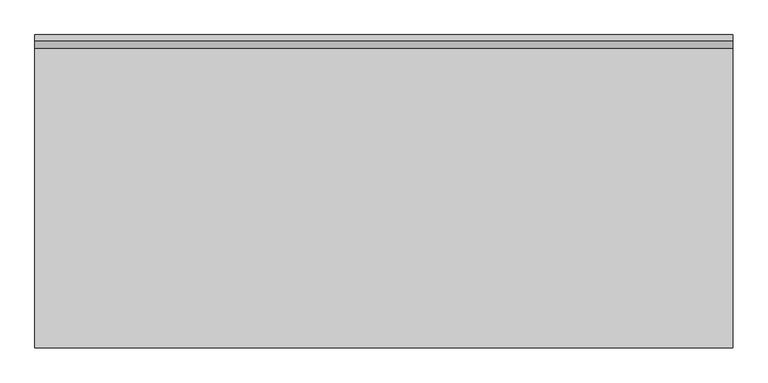
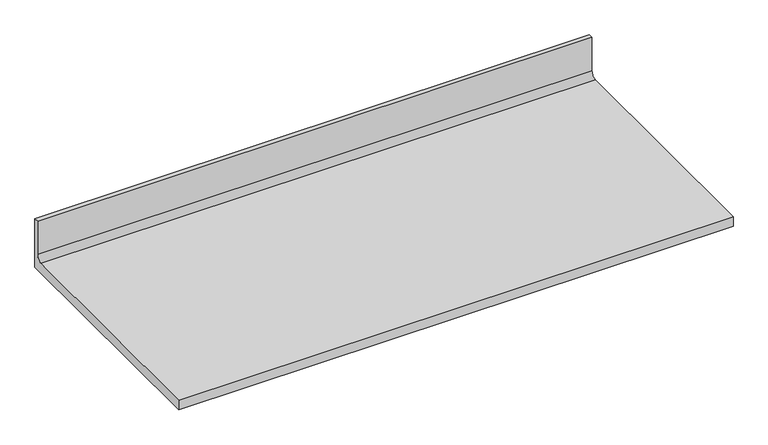
"""IFC4 building model written with IfcOpenShell, lengths in millimetres: furniture geometry."""

import ifcopenshell
import ifcopenshell.guid

model = None  # the IFC model being written
_history = None  # IfcOwnerHistory: only IFC2X3 demands one
_inside = {}  # id of a spatial element -> (the spatial element, [elements in it])
_under = {}  # id of a project, library or spatial element -> (it, [spatial elements below it])
_declared = {}  # id of a project -> (the project, [libraries it declares])
_typed = {}  # id of a type object -> (the type object, [elements of that type])
_made_of = {}  # id of a material, layer set ... -> (it, [elements and type objects made of it])


def new_model(schema):
    """Start an empty IFC model of exactly this schema.

    Asked for "IFC4X3", IfcOpenShell would pick the latest addendum, in which some entities
    have other attributes; the version numbers below select the first issue.
    IFC2X3 requires an IfcOwnerHistory on every rooted entity: one is made here for all.
    """
    global model, _history
    if schema == "IFC4X3":
        model = ifcopenshell.file(schema_version=(4, 3, 0, 0))
    else:
        model = ifcopenshell.file(schema=schema)
    _inside.clear()
    _under.clear()
    _declared.clear()
    _typed.clear()
    _made_of.clear()
    _history = None
    if model.schema == "IFC2X3":
        org = make("IfcOrganization", Name="unknown")
        user = make(
            "IfcPersonAndOrganization",
            ThePerson=make("IfcPerson", FamilyName="unknown"),
            TheOrganization=org,
        )
        app = make(
            "IfcApplication",
            ApplicationDeveloper=org,
            Version="unknown",
            ApplicationFullName="unknown",
            ApplicationIdentifier="unknown",
        )
        _history = make(
            "IfcOwnerHistory",
            OwningUser=user,
            OwningApplication=app,
            ChangeAction="ADDED",
            CreationDate=0,
        )
    return model


def make(cls, **values):
    """One entity of the class cls with the attributes given. An attribute that is None is left unset."""
    return model.create_entity(
        cls, **{name: value for name, value in values.items() if value is not None}
    )


def rooted(cls, **values):
    """An entity with a GlobalId (a new one), such as an element, a storey or a relation."""
    return make(cls, GlobalId=ifcopenshell.guid.new(), OwnerHistory=_history, **values)


def si_unit(unit_type, name, prefix=None):
    """IfcSIUnit, for example si_unit("LENGTHUNIT", "METRE", prefix="MILLI")."""
    return make("IfcSIUnit", UnitType=unit_type, Prefix=prefix, Name=name)


def assignment(units):
    """IfcUnitAssignment: the units of a project."""
    return None if units is None else make("IfcUnitAssignment", Units=units)


def point(xyz):
    """IfcCartesianPoint."""
    return None if xyz is None else make("IfcCartesianPoint", Coordinates=xyz)


def direction(xyz):
    """IfcDirection."""
    return None if xyz is None else make("IfcDirection", DirectionRatios=xyz)


def frame(location, z_axis=None, x_axis=None):
    """IfcAxis2Placement3D, a coordinate frame: its origin and axes. An axis left out is left unset."""
    return make(
        "IfcAxis2Placement3D",
        Location=point(location),
        Axis=direction(z_axis),
        RefDirection=direction(x_axis),
    )


def frame_2d(location, x_axis=None):
    """IfcAxis2Placement2D, a coordinate frame in the plane: its origin and x axis."""
    return make(
        "IfcAxis2Placement2D", Location=point(location), RefDirection=direction(x_axis)
    )


def origin():
    """The frame at (0, 0, 0) with its axes left unset."""
    return frame((0.0, 0.0, 0.0))


def place(relative_to, where):
    """IfcLocalPlacement: puts the frame where relative to a parent placement (None: the world)."""
    return make(
        "IfcLocalPlacement", PlacementRelTo=relative_to, RelativePlacement=where
    )


def context(
    kind, dimensions, precision=None, world=None, true_north=None, identifier=None
):
    """IfcGeometricRepresentationContext, for example the 3D "Model" context."""
    return make(
        "IfcGeometricRepresentationContext",
        ContextIdentifier=identifier,
        ContextType=kind,
        CoordinateSpaceDimension=dimensions,
        Precision=precision,
        WorldCoordinateSystem=world,
        TrueNorth=true_north,
    )


def project(units=None, contexts=None):
    """IfcProject with its units and contexts."""
    return rooted(
        "IfcProject",
        Name="project",
        RepresentationContexts=contexts,
        UnitsInContext=assignment(units),
    )


def spatial(cls, under=None, at=None, **own):
    """A site, building, storey or space (cls), placed at a placement, below another one or the project."""
    s = rooted(cls, ObjectPlacement=at, **own)
    if under is not None:
        _under.setdefault(under.id(), (under, []))[1].append(s)
    return s


def polyline(points):
    """IfcPolyline through the points."""
    return make("IfcPolyline", Points=[point(p) for p in points])


def circle_curve(where, radius):
    """IfcCircle in the frame where."""
    return make("IfcCircle", Position=where, Radius=radius)


def trimmed(basis, trim1, trim2, sense, master):
    """IfcTrimmedCurve: the piece of a basis curve between two trims."""
    return make(
        "IfcTrimmedCurve",
        BasisCurve=basis,
        Trim1=trim1,
        Trim2=trim2,
        SenseAgreement=sense,
        MasterRepresentation=master,
    )


def segment(curve, same_sense, transition):
    """IfcCompositeCurveSegment."""
    return make(
        "IfcCompositeCurveSegment",
        Transition=transition,
        SameSense=same_sense,
        ParentCurve=curve,
    )


def composite_curve(segments, self_intersect=None):
    """IfcCompositeCurve: segments joined end to end."""
    return make("IfcCompositeCurve", Segments=segments, SelfIntersect=self_intersect)


def outline(outer, holes=None, kind="AREA"):
    """IfcArbitraryClosedProfileDef: a profile drawn as a closed curve; with holes, ...WithVoids."""
    if holes is None:
        return make("IfcArbitraryClosedProfileDef", ProfileType=kind, OuterCurve=outer)
    return make(
        "IfcArbitraryProfileDefWithVoids",
        ProfileType=kind,
        OuterCurve=outer,
        InnerCurves=holes,
    )


def extrude(swept, where, along, depth):
    """IfcExtrudedAreaSolid: the profile swept, set in the frame where, extruded along a direction by depth."""
    return make(
        "IfcExtrudedAreaSolid",
        SweptArea=swept,
        Position=where,
        ExtrudedDirection=direction(along),
        Depth=depth,
    )


def shape(context_of_items, identifier, shape_type, items):
    """IfcShapeRepresentation: the items that make up one representation, for example the "Body"."""
    return make(
        "IfcShapeRepresentation",
        ContextOfItems=context_of_items,
        RepresentationIdentifier=identifier,
        RepresentationType=shape_type,
        Items=items,
    )


def source(mapping_origin, context_of_items, identifier, shape_type, items):
    """IfcRepresentationMap: a shape defined once, which mapped items show again and again."""
    return make(
        "IfcRepresentationMap",
        MappingOrigin=mapping_origin,
        MappedRepresentation=shape(context_of_items, identifier, shape_type, items),
    )


def transform(
    local_origin,
    x_axis=None,
    y_axis=None,
    z_axis=None,
    scale=None,
    scale2=None,
    scale3=None,
    uniform=True,
):
    """IfcCartesianTransformationOperator3D, or its non-uniform kind. x_axis, y_axis, z_axis: its Axis1, 2, 3."""
    if uniform:
        return make(
            "IfcCartesianTransformationOperator3D",
            Axis1=direction(x_axis),
            Axis2=direction(y_axis),
            LocalOrigin=point(local_origin),
            Scale=scale,
            Axis3=direction(z_axis),
        )
    return make(
        "IfcCartesianTransformationOperator3DnonUniform",
        Axis1=direction(x_axis),
        Axis2=direction(y_axis),
        LocalOrigin=point(local_origin),
        Scale=scale,
        Axis3=direction(z_axis),
        Scale2=scale2,
        Scale3=scale3,
    )


def mapped(mapping_source, mapping_target):
    """IfcMappedItem: shows the shape of a source again, moved by a transform."""
    return make(
        "IfcMappedItem", MappingSource=mapping_source, MappingTarget=mapping_target
    )


def made_of(thing, what):
    """Note that an element or type object is made of a material, layer set ...; save() writes the relation."""
    if what is not None:
        _made_of.setdefault(what.id(), (what, []))[1].append(thing)
    return thing


def element(
    cls,
    number,
    at=None,
    inside=None,
    cuts=None,
    type_object=None,
    material=None,
    context=None,
    identifier="Body",
    shape_type=None,
    held_by="IfcProductDefinitionShape",
    body=None,
    shapes=None,
    **own,
):
    """One element of the class cls, such as IfcWall. Its Tag is "e" and its number.

    at: its placement. inside: the storey or other place that contains it. cuts: it is an
    opening in that element (IfcRelVoidsElement). A single representation is given by context,
    identifier, shape_type and body (its items); several are given by shapes. held_by: the class
    of the entity that holds the representations. save() writes the other relations.
    """
    e = rooted(cls, Tag="e%d" % number, ObjectPlacement=at, **own)
    if body is not None:
        shapes = [shape(context, identifier, shape_type, body)]
    if shapes is not None:
        e.Representation = make(held_by, Representations=shapes)
    if inside is not None:
        _inside.setdefault(inside.id(), (inside, []))[1].append(e)
    if cuts is not None:
        rooted(
            "IfcRelVoidsElement", RelatingBuildingElement=cuts, RelatedOpeningElement=e
        )
    if type_object is not None:
        _typed.setdefault(type_object.id(), (type_object, []))[1].append(e)
    return made_of(e, material)


def aggregate(whole, parts):
    """IfcRelAggregates: a whole, such as a stair, and the parts it consists of."""
    return rooted("IfcRelAggregates", RelatingObject=whole, RelatedObjects=parts)


def save(model, path):
    """Write the relations noted so far, then the file.

    IfcRelAggregates (storeys below a building ...), IfcRelContainedInSpatialStructure (elements
    in a storey), IfcRelDefinesByType, IfcRelAssociatesMaterial and IfcRelDeclares: one each for
    every whole, place, type object, material and project.
    """
    for whole, parts in _under.values():
        aggregate(whole, parts)
    for where, things in _inside.values():
        rooted(
            "IfcRelContainedInSpatialStructure",
            RelatedElements=things,
            RelatingStructure=where,
        )
    for kind, things in _typed.values():
        rooted("IfcRelDefinesByType", RelatedObjects=things, RelatingType=kind)
    for what, things in _made_of.values():
        rooted("IfcRelAssociatesMaterial", RelatedObjects=things, RelatingMaterial=what)
    for by, libraries in _declared.values():
        rooted("IfcRelDeclares", RelatingContext=by, RelatedDefinitions=libraries)
    model.write(path)


def furniture_11f04893(model_context):
    return source(origin(), model_context, "Body", "SweptSolid", [
        extrude(outline(composite_curve([segment(polyline([(0.0, 889.0), (-615.95, 889.0), (-615.95, 914.4), (-25.8191, 914.4)]), True, "CONTINUOUS"), segment(trimmed(circle_curve(frame_2d((-25.8191, 929.1066)), 14.7066), [point((-25.8191, 914.4))], [point((-11.1125, 929.1066))], True, "CARTESIAN"), True, "CONTINUOUS"), segment(polyline([(-11.1125, 929.1066), (-11.1125, 1016.0), (0.0, 1016.0), (0.0, 889.0)]), True, "CONTINUOUS")], self_intersect=False)), frame((0.0, 0.0, 0.0), z_axis=(1.0, 0.0, 0.0), x_axis=(0.0, 1.0, 0.0)), (0.0, 0.0, 1.0), 1371.6),
    ])


if __name__ == "__main__":
    model = new_model("IFC4")
    model_context = context("Model", 3, world=origin())
    ifc_project = project(units=[si_unit("LENGTHUNIT", "METRE", prefix="MILLI")], contexts=[model_context])
    site = spatial("IfcSite", under=ifc_project)
    building = spatial("IfcBuilding", under=site)
    placement = place(None, origin())
    furniture_shape = furniture_11f04893(model_context)
    element("IfcFurniture", 1, at=placement, inside=building, context=model_context, shape_type="MappedRepresentation", body=[
        mapped(furniture_shape, transform((0.0, 0.0, 0.0), x_axis=(1.0, 0.0, 0.0), y_axis=(0.0, 1.0, 0.0), z_axis=(0.0, 0.0, 1.0))),
    ])
    save(model, "model.ifc")
